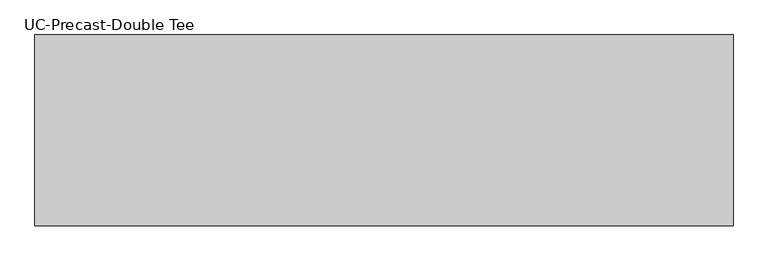
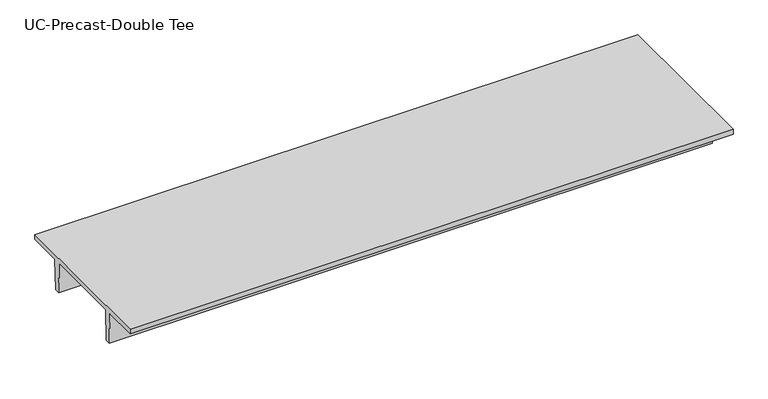
"""IFC4 building model written with IfcOpenShell, lengths in millimetres: beam geometry, UC-Precast-Double Tee."""

from ifc_helpers import new_model, si_unit, frame, origin, place, context, project, spatial, polyline, outline, extrude, source, transform, mapped, element, save


def uc_precast_double_tee_f512ab2c(model_context):
    return source(origin(), model_context, "Body", "SweptSolid", [
        extrude(outline(polyline([(1714.5, 381.0), (1714.5, 279.4), (990.6, 279.4), (965.2, -381.0), (863.6, -381.0), (838.2, 279.4), (-838.2, 279.4), (-863.6, -381.0), (-965.2, -381.0), (-990.6, 279.4), (-1714.5, 279.4), (-1714.5, 381.0), (1714.5, 381.0)])), frame((-6045.2, 0.0, 0.0), z_axis=(1.0, 0.0, 0.0), x_axis=(0.0, 1.0, 0.0)), (0.0, 0.0, 1.0), 12547.6),
    ])


if __name__ == "__main__":
    model = new_model("IFC4")
    model_context = context("Model", 3, world=origin())
    ifc_project = project(units=[si_unit("LENGTHUNIT", "METRE", prefix="MILLI")], contexts=[model_context])
    site = spatial("IfcSite", under=ifc_project)
    building = spatial("IfcBuilding", under=site)
    placement = place(None, origin())
    uc_precast_double_tee_shape = uc_precast_double_tee_f512ab2c(model_context)
    element("IfcBeam", 1, ObjectType="UC-Precast-Double Tee", at=placement, inside=building, context=model_context, shape_type="MappedRepresentation", body=[
        mapped(uc_precast_double_tee_shape, transform((0.0, 0.0, 0.0), x_axis=(1.0, 0.0, 0.0), y_axis=(0.0, 1.0, 0.0), z_axis=(0.0, 0.0, 1.0))),
    ])
    save(model, "model.ifc")
